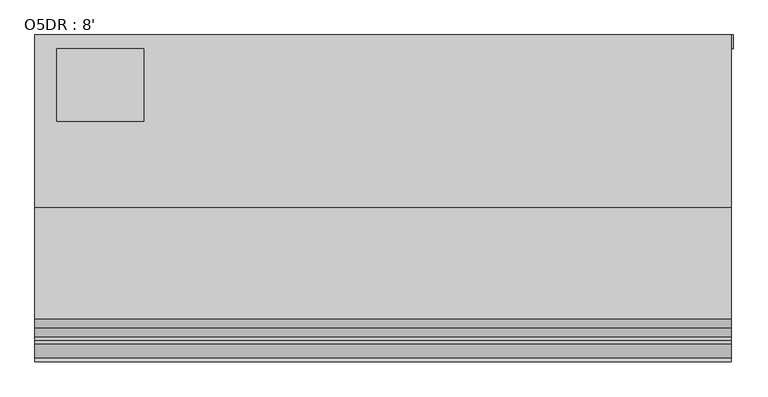
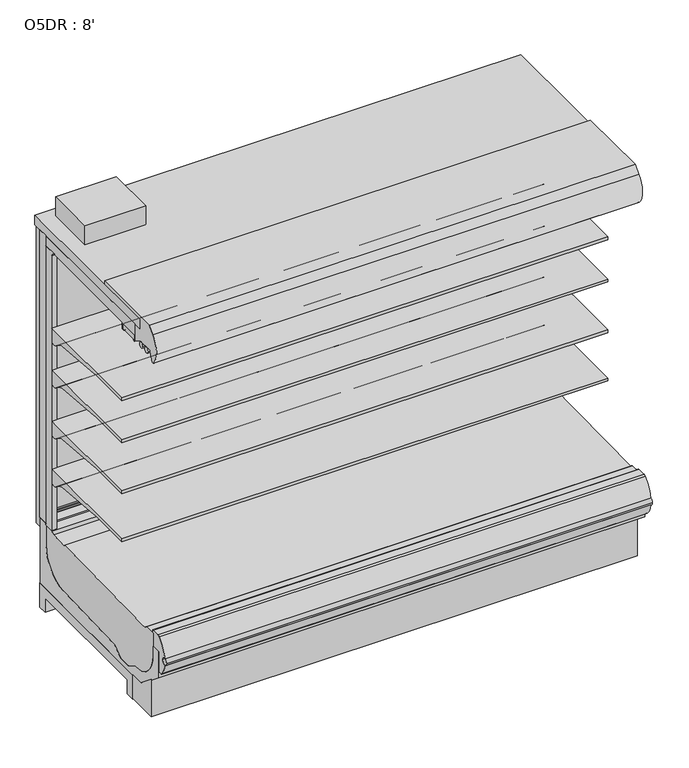
"""IFC4 building model written with IfcOpenShell, lengths in millimetres: proxy geometry, O5DR : 8'."""

from ifc_helpers import new_model, si_unit, point, frame, frame_2d, origin, place, context, project, spatial, polyline, circle_curve, trimmed, segment, composite_curve, outline, extrude, faceted_brep, source, transform, mapped, element, save
from ifc_brep_helpers import plane_surface, cylinder_surface, revolved_surface, advanced_brep


def o5dr_8_307e2ff7(model_context):
    return source(origin(), model_context, "Body", "SolidModel", [
        extrude(outline(polyline([(381.0, -406.3155239), (381.0, -660.3155239), (76.2, -660.3155239), (76.2, -406.3155239), (381.0, -406.3155239)])), frame((0.0, 0.0, 2052.9777313), z_axis=(0.0, 0.0, 1.0), x_axis=(1.0, 0.0, 0.0)), (0.0, 0.0, 1.0), 101.6),
        extrude(outline(polyline([(2438.4, -401.5089273), (2438.4, -451.7851762), (2413.0, -451.7851762), (2413.0, -401.5089273), (2438.4, -401.5089273)])), frame((0.0, 0.0, 478.049844), z_axis=(0.0, 0.0, 1.0), x_axis=(1.0, 0.0, 0.0)), (0.0, 0.0, 1.0), 1525.5410642),
        advanced_brep(
        [(2438.4, -451.7851762, 468.8781737), (2438.4, -451.7851762, 1949.6779319), (2438.4, -530.2144075, 1949.6779319), (2438.4, -504.9331995, 1926.7316344), (2438.4, -504.9331995, 468.8781737), (2413.0, -451.7851762, 468.8781737), (2413.0, -504.9331995, 468.8781737), (2413.0, -504.9331995, 1926.7316344), (2413.0, -530.2144075, 1949.6779595), (2413.0, -451.7851762, 1949.6779319)],
        [
            (0, 1),
            (1, 2),
            (2, 3, circle_curve(frame((2438.4, -530.2144075, 1924.2779595), z_axis=(-1.0, 0.0, 0.0), x_axis=(0.0, 1.0, 0.0)), 25.4)),
            (3, 4),
            (4, 0),
            (5, 6),
            (6, 7),
            (7, 8, circle_curve(frame((2413.0, -530.2144075, 1924.2779595), z_axis=(1.0, 0.0, 0.0), x_axis=(0.0, 1.0, 0.0)), 25.4)),
            (8, 9),
            (9, 5),
            (0, 5),
            (9, 1),
            (8, 2),
            (7, 3),
            (6, 4),
        ],
        [
            plane_surface(frame((2438.4, -451.7851762, 1697.7360001), z_axis=(1.0, 0.0, 0.0), x_axis=(0.0, 0.0, 1.0))),
            plane_surface(frame((2413.0, -451.7851762, 1697.7360001), z_axis=(-1.0, 0.0, 0.0), x_axis=(0.0, 0.0, -1.0))),
            plane_surface(frame((2438.4, -451.7851762, 468.8781737), z_axis=(0.0, 1.0, 0.0), x_axis=(-1.0, 0.0, 0.0))),
            plane_surface(frame((2438.4, -451.7851762, 1949.6779319), z_axis=(0.0, 0.0, 1.0), x_axis=(-1.0, 0.0, 0.0))),
            revolved_surface(polyline([(2413.0, -504.8144075, 1924.2779595), (2438.4, -504.8144075, 1924.2779595)]), (2413.0, -530.2144075, 1924.2779595), (-1.0, 0.0, 0.0)),
            plane_surface(frame((2438.4, -504.9331995, 1926.7316344), z_axis=(0.0, -1.0, 0.0), x_axis=(-1.0, 0.0, 0.0))),
            plane_surface(frame((2438.4, -504.9331995, 468.8781737), z_axis=(0.0, 0.0, -1.0), x_axis=(-1.0, 0.0, 0.0))),
        ],
        [
            (0, [[1, 2, 3, 4, 5]]),
            (1, [[6, 7, 8, 9, 10]]),
            (2, [[-1, 11, -10, 12]]),
            (3, [[-2, -12, -9, 13]]),
            (4, [[-3, -13, -8, 14]]),
            (5, [[-4, -14, -7, 15]]),
            (6, [[-5, -15, -6, -11]]),
        ],
    ),
        extrude(outline(polyline([(1244.6, -401.5089273), (1244.6, -451.7851762), (1219.2, -451.7851762), (1219.2, -401.5089273), (1244.6, -401.5089273)])), frame((0.0, 0.0, 478.049844), z_axis=(0.0, 0.0, 1.0), x_axis=(1.0, 0.0, 0.0)), (0.0, 0.0, 1.0), 1525.5410642),
        advanced_brep(
        [(1244.6, -451.7851762, 468.8781737), (1244.6, -451.7851762, 1949.6779319), (1244.6, -530.2144075, 1949.6779319), (1244.6, -504.9331995, 1926.7316344), (1244.6, -504.9331995, 468.8781737), (1219.2, -451.7851762, 468.8781737), (1219.2, -504.9331995, 468.8781737), (1219.2, -504.9331995, 1926.7316344), (1219.2, -530.2144075, 1949.6779595), (1219.2, -451.7851762, 1949.6779319)],
        [
            (0, 1),
            (1, 2),
            (2, 3, circle_curve(frame((1244.6, -530.2144075, 1924.2779595), z_axis=(-1.0, 0.0, 0.0), x_axis=(0.0, 1.0, 0.0)), 25.4)),
            (3, 4),
            (4, 0),
            (5, 6),
            (6, 7),
            (7, 8, circle_curve(frame((1219.2, -530.2144075, 1924.2779595), z_axis=(1.0, 0.0, 0.0), x_axis=(0.0, 1.0, 0.0)), 25.4)),
            (8, 9),
            (9, 5),
            (0, 5),
            (9, 1),
            (8, 2),
            (7, 3),
            (6, 4),
        ],
        [
            plane_surface(frame((1244.6, -451.7851762, 1697.7360001), z_axis=(1.0, 0.0, 0.0), x_axis=(0.0, 0.0, 1.0))),
            plane_surface(frame((1219.2, -451.7851762, 1697.7360001), z_axis=(-1.0, 0.0, 0.0), x_axis=(0.0, 0.0, -1.0))),
            plane_surface(frame((1244.6, -451.7851762, 468.8781737), z_axis=(0.0, 1.0, 0.0), x_axis=(-1.0, 0.0, 0.0))),
            plane_surface(frame((1244.6, -451.7851762, 1949.6779319), z_axis=(0.0, 0.0, 1.0), x_axis=(-1.0, 0.0, 0.0))),
            revolved_surface(polyline([(1219.2, -504.8144075, 1924.2779595), (1244.6, -504.8144075, 1924.2779595)]), (1219.2, -530.2144075, 1924.2779595), (-1.0, 0.0, 0.0)),
            plane_surface(frame((1244.6, -504.9331995, 1926.7316344), z_axis=(0.0, -1.0, 0.0), x_axis=(-1.0, 0.0, 0.0))),
            plane_surface(frame((1244.6, -504.9331995, 468.8781737), z_axis=(0.0, 0.0, -1.0), x_axis=(-1.0, 0.0, 0.0))),
        ],
        [
            (0, [[1, 2, 3, 4, 5]]),
            (1, [[6, 7, 8, 9, 10]]),
            (2, [[-1, 11, -10, 12]]),
            (3, [[-2, -12, -9, 13]]),
            (4, [[-3, -13, -8, 14]]),
            (5, [[-4, -14, -7, 15]]),
            (6, [[-5, -15, -6, -11]]),
        ],
    ),
        extrude(outline(polyline([(1219.2, -401.5089273), (1219.2, -451.7851762), (1193.8, -451.7851762), (1193.8, -401.5089273), (1219.2, -401.5089273)])), frame((0.0, 0.0, 478.049844), z_axis=(0.0, 0.0, 1.0), x_axis=(1.0, 0.0, 0.0)), (0.0, 0.0, 1.0), 1525.5410642),
        advanced_brep(
        [(1219.2, -451.7851762, 468.8781737), (1219.2, -451.7851762, 1949.6779319), (1219.2, -530.2144075, 1949.6779319), (1219.2, -504.9331995, 1926.7316344), (1219.2, -504.9331995, 468.8781737), (1193.8, -451.7851762, 468.8781737), (1193.8, -504.9331995, 468.8781737), (1193.8, -504.9331995, 1926.7316344), (1193.8, -530.2144075, 1949.6779595), (1193.8, -451.7851762, 1949.6779319)],
        [
            (0, 1),
            (1, 2),
            (2, 3, circle_curve(frame((1219.2, -530.2144075, 1924.2779595), z_axis=(-1.0, 0.0, 0.0), x_axis=(0.0, 1.0, 0.0)), 25.4)),
            (3, 4),
            (4, 0),
            (5, 6),
            (6, 7),
            (7, 8, circle_curve(frame((1193.8, -530.2144075, 1924.2779595), z_axis=(1.0, 0.0, 0.0), x_axis=(0.0, 1.0, 0.0)), 25.4)),
            (8, 9),
            (9, 5),
            (0, 5),
            (9, 1),
            (8, 2),
            (7, 3),
            (6, 4),
        ],
        [
            plane_surface(frame((1219.2, -451.7851762, 1697.7360001), z_axis=(1.0, 0.0, 0.0), x_axis=(0.0, 0.0, 1.0))),
            plane_surface(frame((1193.8, -451.7851762, 1697.7360001), z_axis=(-1.0, 0.0, 0.0), x_axis=(0.0, 0.0, -1.0))),
            plane_surface(frame((1219.2, -451.7851762, 468.8781737), z_axis=(0.0, 1.0, 0.0), x_axis=(-1.0, 0.0, 0.0))),
            plane_surface(frame((1219.2, -451.7851762, 1949.6779319), z_axis=(0.0, 0.0, 1.0), x_axis=(-1.0, 0.0, 0.0))),
            revolved_surface(polyline([(1193.8, -504.8144075, 1924.2779595), (1219.2, -504.8144075, 1924.2779595)]), (1193.8, -530.2144075, 1924.2779595), (-1.0, 0.0, 0.0)),
            plane_surface(frame((1219.2, -504.9331995, 1926.7316344), z_axis=(0.0, -1.0, 0.0), x_axis=(-1.0, 0.0, 0.0))),
            plane_surface(frame((1219.2, -504.9331995, 468.8781737), z_axis=(0.0, 0.0, -1.0), x_axis=(-1.0, 0.0, 0.0))),
        ],
        [
            (0, [[1, 2, 3, 4, 5]]),
            (1, [[6, 7, 8, 9, 10]]),
            (2, [[-1, 11, -10, 12]]),
            (3, [[-2, -12, -9, 13]]),
            (4, [[-3, -13, -8, 14]]),
            (5, [[-4, -14, -7, 15]]),
            (6, [[-5, -15, -6, -11]]),
        ],
    ),
        faceted_brep([(2383.6493285, -397.299623, 480.0108915), (2383.6493285, -406.3155239, 480.0108915), (2383.6493285, -406.3155239, 1941.0151593), (2383.6493285, -397.299623, 1941.0151593), (2392.93244, -389.8622988, 470.72778), (2392.93244, -397.299623, 470.72778), (2392.93244, -397.299623, 1950.2982708), (2392.93244, -389.8622988, 1950.2982708), (2383.6493285, -379.3369472, 480.0108915), (2383.6493285, -389.8622988, 480.0108915), (2383.6493285, -389.8622988, 1941.0151593), (2383.6493285, -379.3369472, 1941.0151593), (2392.93244, -371.899623, 470.72778), (2392.93244, -379.3369472, 470.72778), (2392.93244, -379.3369472, 1950.2982708), (2392.93244, -371.899623, 1950.2982708), (2383.6493285, -358.5508239, 480.0108915), (2383.6493285, -371.899623, 480.0108915), (2383.6493285, -371.899623, 1941.0151593), (2383.6493285, -358.5508239, 1941.0151593), (2445.4089133, -406.3155239, 418.2513067), (2445.4089133, -358.5508239, 418.2513067), (2445.4089133, -358.5508239, 2002.7747442), (2445.4089133, -406.3155239, 2002.7747442), (1287.9684982, -406.3155239, 1941.0151593), (1287.9684982, -397.299623, 1941.0151593), (1278.6853867, -397.299623, 1950.2982708), (1278.6853867, -389.8622988, 1950.2982708), (1287.9684982, -389.8622988, 1941.0151593), (1287.9684982, -379.3369472, 1941.0151593), (1278.6853867, -379.3369472, 1950.2982708), (1278.6853867, -371.899623, 1950.2982708), (1287.9684982, -371.899623, 1941.0151593), (1287.9684982, -358.5508239, 1941.0151593), (1226.2089133, -358.5508239, 2002.7747442), (1226.2089133, -406.3155239, 2002.7747442), (1287.9684982, -406.3155239, 480.0108915), (1287.9684982, -397.299623, 480.0108915), (1278.6853867, -397.299623, 470.72778), (1278.6853867, -389.8622988, 470.72778), (1287.9684982, -389.8622988, 480.0108915), (1287.9684982, -379.3369472, 480.0108915), (1278.6853867, -379.3369472, 470.72778), (1278.6853867, -371.899623, 470.72778), (1287.9684982, -371.899623, 480.0108915), (1287.9684982, -358.5508239, 480.0108915), (1226.2089133, -358.5508239, 418.2513067), (1226.2089133, -406.3155239, 418.2513067)], [[[0, 1, 2, 3]], [[4, 5, 6, 7]], [[8, 9, 10, 11]], [[12, 13, 14, 15]], [[16, 17, 18, 19]], [[20, 21, 22, 23]], [[3, 2, 24, 25]], [[7, 6, 26, 27]], [[11, 10, 28, 29]], [[15, 14, 30, 31]], [[19, 18, 32, 33]], [[23, 22, 34, 35]], [[25, 24, 36, 37]], [[27, 26, 38, 39]], [[29, 28, 40, 41]], [[31, 30, 42, 43]], [[33, 32, 44, 45]], [[35, 34, 46, 47]], [[23, 35, 47, 20], [1, 36, 24, 2]], [[37, 36, 1, 0]], [[5, 38, 26, 6], [3, 25, 37, 0]], [[39, 38, 5, 4]], [[7, 27, 39, 4], [9, 40, 28, 10]], [[41, 40, 9, 8]], [[13, 42, 30, 14], [11, 29, 41, 8]], [[43, 42, 13, 12]], [[15, 31, 43, 12], [17, 44, 32, 18]], [[45, 44, 17, 16]], [[21, 46, 34, 22], [19, 33, 45, 16]], [[47, 46, 21, 20]]]),
        extrude(outline(polyline([(2391.9898618, -389.8622988), (2391.9898618, -397.299623), (1832.6339133, -397.299623), (1832.6339133, -389.8622988), (2391.9898618, -389.8622988)])), frame((0.0, 0.0, 470.72778), z_axis=(0.0, 0.0, 1.0), x_axis=(1.0, 0.0, 0.0)), (0.0, 0.0, 1.0), 1479.5704908),
        extrude(outline(polyline([(1838.9839133, -371.899623), (1838.9839133, -379.3369472), (1279.6279648, -379.3369472), (1279.6279648, -371.899623), (1838.9839133, -371.899623)])), frame((0.0, 0.0, 470.72778), z_axis=(0.0, 0.0, 1.0), x_axis=(1.0, 0.0, 0.0)), (0.0, 0.0, 1.0), 1479.5704908),
        faceted_brep([(1164.4493285, -397.299623, 480.0108915), (1164.4493285, -406.3155239, 480.0108915), (1164.4493285, -406.3155239, 1941.0151593), (1164.4493285, -397.299623, 1941.0151593), (1173.73244, -389.8622988, 470.72778), (1173.73244, -397.299623, 470.72778), (1173.73244, -397.299623, 1950.2982708), (1173.73244, -389.8622988, 1950.2982708), (1164.4493285, -379.3369472, 480.0108915), (1164.4493285, -389.8622988, 480.0108915), (1164.4493285, -389.8622988, 1941.0151593), (1164.4493285, -379.3369472, 1941.0151593), (1173.73244, -371.899623, 470.72778), (1173.73244, -379.3369472, 470.72778), (1173.73244, -379.3369472, 1950.2982708), (1173.73244, -371.899623, 1950.2982708), (1164.4493285, -358.5508239, 480.0108915), (1164.4493285, -371.899623, 480.0108915), (1164.4493285, -371.899623, 1941.0151593), (1164.4493285, -358.5508239, 1941.0151593), (1226.2089133, -406.3155239, 418.2513067), (1226.2089133, -358.5508239, 418.2513067), (1226.2089133, -358.5508239, 2002.7747442), (1226.2089133, -406.3155239, 2002.7747442), (68.7684982, -406.3155239, 1941.0151593), (68.7684982, -397.299623, 1941.0151593), (59.4853867, -397.299623, 1950.2982708), (59.4853867, -389.8622988, 1950.2982708), (68.7684982, -389.8622988, 1941.0151593), (68.7684982, -379.3369472, 1941.0151593), (59.4853867, -379.3369472, 1950.2982708), (59.4853867, -371.899623, 1950.2982708), (68.7684982, -371.899623, 1941.0151593), (68.7684982, -358.5508239, 1941.0151593), (7.0089133, -358.5508239, 2002.7747442), (7.0089133, -406.3155239, 2002.7747442), (68.7684982, -406.3155239, 480.0108915), (68.7684982, -397.299623, 480.0108915), (59.4853867, -397.299623, 470.72778), (59.4853867, -389.8622988, 470.72778), (68.7684982, -389.8622988, 480.0108915), (68.7684982, -379.3369472, 480.0108915), (59.4853867, -379.3369472, 470.72778), (59.4853867, -371.899623, 470.72778), (68.7684982, -371.899623, 480.0108915), (68.7684982, -358.5508239, 480.0108915), (7.0089133, -358.5508239, 418.2513067), (7.0089133, -406.3155239, 418.2513067)], [[[0, 1, 2, 3]], [[4, 5, 6, 7]], [[8, 9, 10, 11]], [[12, 13, 14, 15]], [[16, 17, 18, 19]], [[20, 21, 22, 23]], [[3, 2, 24, 25]], [[7, 6, 26, 27]], [[11, 10, 28, 29]], [[15, 14, 30, 31]], [[19, 18, 32, 33]], [[23, 22, 34, 35]], [[25, 24, 36, 37]], [[27, 26, 38, 39]], [[29, 28, 40, 41]], [[31, 30, 42, 43]], [[33, 32, 44, 45]], [[35, 34, 46, 47]], [[23, 35, 47, 20], [1, 36, 24, 2]], [[37, 36, 1, 0]], [[5, 38, 26, 6], [3, 25, 37, 0]], [[39, 38, 5, 4]], [[7, 27, 39, 4], [9, 40, 28, 10]], [[41, 40, 9, 8]], [[13, 42, 30, 14], [11, 29, 41, 8]], [[43, 42, 13, 12]], [[15, 31, 43, 12], [17, 44, 32, 18]], [[45, 44, 17, 16]], [[21, 46, 34, 22], [19, 33, 45, 16]], [[47, 46, 21, 20]]]),
        extrude(outline(polyline([(1172.7898618, -389.8622988), (1172.7898618, -397.299623), (613.4339133, -397.299623), (613.4339133, -389.8622988), (1172.7898618, -389.8622988)])), frame((0.0, 0.0, 470.72778), z_axis=(0.0, 0.0, 1.0), x_axis=(1.0, 0.0, 0.0)), (0.0, 0.0, 1.0), 1479.5704908),
        extrude(outline(polyline([(619.7839133, -371.899623), (619.7839133, -379.3369472), (60.4279648, -379.3369472), (60.4279648, -371.899623), (619.7839133, -371.899623)])), frame((0.0, 0.0, 470.72778), z_axis=(0.0, 0.0, 1.0), x_axis=(1.0, 0.0, 0.0)), (0.0, 0.0, 1.0), 1479.5704908),
        extrude(outline(polyline([(25.4, -401.5089273), (25.4, -451.7851762), (0.0, -451.7851762), (0.0, -401.5089273), (25.4, -401.5089273)])), frame((0.0, 0.0, 478.049844), z_axis=(0.0, 0.0, 1.0), x_axis=(1.0, 0.0, 0.0)), (0.0, 0.0, 1.0), 1525.5410642),
        advanced_brep(
        [(25.4, -451.7851762, 468.8781737), (25.4, -451.7851762, 1949.6779319), (25.4, -530.2144075, 1949.6779319), (25.4, -504.9331995, 1926.7316344), (25.4, -504.9331995, 468.8781737), (0.0, -451.7851762, 468.8781737), (0.0, -504.9331995, 468.8781737), (0.0, -504.9331995, 1926.7316344), (0.0, -530.2144075, 1949.6779595), (0.0, -451.7851762, 1949.6779319)],
        [
            (0, 1),
            (1, 2),
            (2, 3, circle_curve(frame((25.4, -530.2144075, 1924.2779595), z_axis=(-1.0, 0.0, 0.0), x_axis=(0.0, 1.0, 0.0)), 25.4)),
            (3, 4),
            (4, 0),
            (5, 6),
            (6, 7),
            (7, 8, circle_curve(frame((0.0, -530.2144075, 1924.2779595), z_axis=(1.0, 0.0, 0.0), x_axis=(0.0, 1.0, 0.0)), 25.4)),
            (8, 9),
            (9, 5),
            (0, 5),
            (9, 1),
            (8, 2),
            (7, 3),
            (6, 4),
        ],
        [
            plane_surface(frame((25.4, -451.7851762, 1697.7360001), z_axis=(1.0, 0.0, 0.0), x_axis=(0.0, 0.0, 1.0))),
            plane_surface(frame((0.0, -451.7851762, 1697.7360001), z_axis=(-1.0, 0.0, 0.0), x_axis=(0.0, 0.0, -1.0))),
            plane_surface(frame((25.4, -451.7851762, 468.8781737), z_axis=(0.0, 1.0, 0.0), x_axis=(-1.0, 0.0, 0.0))),
            plane_surface(frame((25.4, -451.7851762, 1949.6779319), z_axis=(0.0, 0.0, 1.0), x_axis=(-1.0, 0.0, 0.0))),
            revolved_surface(polyline([(0.0, -504.8144075, 1924.2779595), (25.4, -504.8144075, 1924.2779595)]), (0.0, -530.2144075, 1924.2779595), (-1.0, 0.0, 0.0)),
            plane_surface(frame((25.4, -504.9331995, 1926.7316344), z_axis=(0.0, -1.0, 0.0), x_axis=(-1.0, 0.0, 0.0))),
            plane_surface(frame((25.4, -504.9331995, 468.8781737), z_axis=(0.0, 0.0, -1.0), x_axis=(-1.0, 0.0, 0.0))),
        ],
        [
            (0, [[1, 2, 3, 4, 5]]),
            (1, [[6, 7, 8, 9, 10]]),
            (2, [[-1, 11, -10, 12]]),
            (3, [[-2, -12, -9, 13]]),
            (4, [[-3, -13, -8, 14]]),
            (5, [[-4, -14, -7, 15]]),
            (6, [[-5, -15, -6, -11]]),
        ],
    ),
        extrude(outline(composite_curve([segment(polyline([(-504.9331995, 794.189381), (-504.9331995, 719.0883547), (-528.313746, 719.0883547)]), True, "CONTINUOUS"), segment(trimmed(circle_curve(frame_2d((-528.7455821, 744.4846835)), 25.4), [point((-528.313746, 719.0883547))], [point((-544.7229383, 724.7392008))], False, "CARTESIAN"), True, "CONTINUOUS"), segment(polyline([(-544.7229383, 724.7392008), (-562.5749995, 739.1844663)]), True, "CONTINUOUS"), segment(trimmed(circle_curve(frame_2d((-602.5183901, 689.8207596)), 63.5), [point((-562.5749995, 739.1844663))], [point((-594.6205089, 752.8276915))], True, "CARTESIAN"), True, "CONTINUOUS"), segment(polyline([(-594.6205089, 752.8276915), (-872.3592482, 776.5248289), (-873.8480247, 779.965381), (-1114.5331995, 779.965381), (-1114.5331995, 794.189381), (-504.9331995, 794.189381)]), True, "CONTINUOUS")], self_intersect=False)), frame((0.0, 0.0, 0.0), z_axis=(1.0, 0.0, 0.0), x_axis=(0.0, 1.0, 0.0)), (0.0, 0.0, 1.0), 2438.4),
        extrude(outline(composite_curve([segment(polyline([(-504.9331995, 1049.544493), (-504.9331995, 974.4434667), (-528.313746, 974.4434667)]), True, "CONTINUOUS"), segment(trimmed(circle_curve(frame_2d((-528.7455821, 999.8397955)), 25.4), [point((-528.313746, 974.4434667))], [point((-544.7229383, 980.0943128))], False, "CARTESIAN"), True, "CONTINUOUS"), segment(polyline([(-544.7229383, 980.0943128), (-562.5749995, 994.5395783)]), True, "CONTINUOUS"), segment(trimmed(circle_curve(frame_2d((-602.5183901, 945.1758716)), 63.5), [point((-562.5749995, 994.5395783))], [point((-594.6205089, 1008.1828035))], True, "CARTESIAN"), True, "CONTINUOUS"), segment(polyline([(-594.6205089, 1008.1828035), (-872.3592482, 1031.8799409), (-873.8480247, 1035.320493), (-1114.5331995, 1035.320493), (-1114.5331995, 1049.544493), (-504.9331995, 1049.544493)]), True, "CONTINUOUS")], self_intersect=False)), frame((0.0, 0.0, 0.0), z_axis=(1.0, 0.0, 0.0), x_axis=(0.0, 1.0, 0.0)), (0.0, 0.0, 1.0), 2438.4),
        extrude(outline(composite_curve([segment(polyline([(-504.9331995, 1319.5585779), (-504.9331995, 1244.4575515), (-528.313746, 1244.4575515)]), True, "CONTINUOUS"), segment(trimmed(circle_curve(frame_2d((-528.7455821, 1269.8538803)), 25.4), [point((-528.313746, 1244.4575515))], [point((-544.7229383, 1250.1083976))], False, "CARTESIAN"), True, "CONTINUOUS"), segment(polyline([(-544.7229383, 1250.1083976), (-562.5749995, 1264.5536632)]), True, "CONTINUOUS"), segment(trimmed(circle_curve(frame_2d((-602.5183901, 1215.1899564)), 63.5), [point((-562.5749995, 1264.5536632))], [point((-594.6205089, 1278.1968884))], True, "CARTESIAN"), True, "CONTINUOUS"), segment(polyline([(-594.6205089, 1278.1968884), (-872.3592482, 1301.8940258), (-873.8480247, 1305.3345779), (-1114.5331995, 1305.3345779), (-1114.5331995, 1319.5585779), (-504.9331995, 1319.5585779)]), True, "CONTINUOUS")], self_intersect=False)), frame((0.0, 0.0, 0.0), z_axis=(1.0, 0.0, 0.0), x_axis=(0.0, 1.0, 0.0)), (0.0, 0.0, 1.0), 2438.4),
        extrude(outline(composite_curve([segment(trimmed(circle_curve(frame_2d((2236.1657013, -973.0089273)), 12.7), [point((2223.4657013, -973.0089273))], [point((2248.8657013, -973.0089273))], False, "CARTESIAN"), True, "CONTINUOUS"), segment(trimmed(circle_curve(frame_2d((2236.1657013, -973.0089273)), 12.7), [point((2248.8657013, -973.0089273))], [point((2223.4657013, -973.0089273))], False, "CARTESIAN"), True, "CONTINUOUS")], self_intersect=False)), frame((0.0, 0.0, 66.7090149), z_axis=(0.0, 0.0, 1.0), x_axis=(1.0, 0.0, 0.0)), (0.0, 0.0, 1.0), 63.4659851),
        extrude(outline(composite_curve([segment(trimmed(circle_curve(frame_2d((2190.3167543, -973.0089273)), 9.525), [point((2180.7917543, -973.0089273))], [point((2199.8417543, -973.0089273))], False, "CARTESIAN"), True, "CONTINUOUS"), segment(trimmed(circle_curve(frame_2d((2190.3167543, -973.0089273)), 9.525), [point((2199.8417543, -973.0089273))], [point((2180.7917543, -973.0089273))], False, "CARTESIAN"), True, "CONTINUOUS")], self_intersect=False)), frame((0.0, 0.0, 66.7090149), z_axis=(0.0, 0.0, 1.0), x_axis=(1.0, 0.0, 0.0)), (0.0, 0.0, 1.0), 63.4659851),
        extrude(outline(polyline([(711.2, -1351.5977782), (403.225, -1351.5977782), (403.225, -1254.3931624), (711.2, -1254.3931624), (711.2, -1351.5977782)])), frame((0.0, 0.0, 53.2186364), z_axis=(0.0, 0.0, 1.0), x_axis=(1.0, 0.0, 0.0)), (0.0, 0.0, 1.0), 9.8914),
        faceted_brep([(2438.4, -1207.9589273, 130.175), (2438.4, -1278.2580824, 130.175), (2438.4, -1369.8839273, 204.1509267), (2438.4, -1369.8839273, 5.6773468), (2438.4, -1207.9589273, 5.6773468), (0.0, -1207.9589273, 130.175), (0.0, -1207.9589273, 5.6773468), (0.0, -1369.8839273, 5.6773468), (0.0, -1369.8839273, 204.1509267), (0.0, -1278.2580824, 130.175), (711.2, -1351.5977782, 5.6773468), (711.2, -1254.3931624, 5.6773468), (403.225, -1254.3931624, 5.6773468), (403.225, -1351.5977782, 5.6773468), (711.2, -1351.5977782, 63.1100364), (403.225, -1351.5977782, 63.1100364), (403.225, -1254.3931624, 63.1100364), (711.2, -1254.3931624, 63.1100364)], [[[0, 1, 2, 3, 4]], [[5, 6, 7, 8, 9]], [[1, 0, 5, 9]], [[2, 1, 9, 8]], [[3, 2, 8, 7]], [[4, 3, 7, 6], [10, 11, 12, 13]], [[0, 4, 6, 5]], [[14, 15, 16, 17]], [[14, 17, 11, 10]], [[17, 16, 12, 11]], [[16, 15, 13, 12]], [[15, 14, 10, 13]]]),
        extrude(outline(composite_curve([segment(trimmed(circle_curve(frame_2d((339.6243296, 2358.8090336)), 12.7), [point((339.6243296, 2371.5090336))], [point((339.6243296, 2346.1090336))], False, "CARTESIAN"), True, "CONTINUOUS"), segment(trimmed(circle_curve(frame_2d((339.6243296, 2358.8090336)), 12.7), [point((339.6243296, 2346.1090336))], [point((339.6243296, 2371.5090336))], False, "CARTESIAN"), True, "CONTINUOUS")], self_intersect=False)), frame((0.0, -447.5561252, 0.0), z_axis=(0.0, 1.0, 0.0), x_axis=(0.0, 0.0, 1.0)), (0.0, 0.0, 1.0), 52.3971979),
        extrude(outline(composite_curve([segment(trimmed(circle_curve(frame_2d((339.6243296, 2320.3972115)), 9.525), [point((339.6243296, 2329.9222115))], [point((339.6243296, 2310.8722115))], False, "CARTESIAN"), True, "CONTINUOUS"), segment(trimmed(circle_curve(frame_2d((339.6243296, 2320.3972115)), 9.525), [point((339.6243296, 2310.8722115))], [point((339.6243296, 2329.9222115))], False, "CARTESIAN"), True, "CONTINUOUS")], self_intersect=False)), frame((0.0, -447.5561252, 0.0), z_axis=(0.0, 1.0, 0.0), x_axis=(0.0, 0.0, 1.0)), (0.0, 0.0, 1.0), 52.3971979),
        extrude(outline(composite_curve([segment(polyline([(-456.5917727, 2002.7747442), (-456.5917727, 1948.8292386), (-1119.7811387, 1948.8292386), (-1119.7811387, 1913.3731358)]), True, "CONTINUOUS"), segment(trimmed(circle_curve(frame_2d((-1122.0034296, 1913.3731358)), 2.2222909), [point((-1119.7811387, 1913.3731358))], [point((-1122.0034296, 1911.1508449))], False, "CARTESIAN"), True, "CONTINUOUS"), segment(polyline([(-1122.0034296, 1911.1508449), (-1131.4677609, 1911.1508449)]), True, "CONTINUOUS"), segment(trimmed(circle_curve(frame_2d((-1131.4677609, 1911.4683449)), 0.3175), [point((-1131.4677609, 1911.1508449))], [point((-1131.4677609, 1911.7858449))], False, "CARTESIAN"), True, "CONTINUOUS"), segment(polyline([(-1131.4677609, 1911.7858449), (-1122.0036387, 1911.7858449)]), True, "CONTINUOUS"), segment(trimmed(circle_curve(frame_2d((-1122.0036387, 1913.3733449)), 1.5875), [point((-1122.0036387, 1911.7858449))], [point((-1120.4161387, 1913.3733449))], True, "CARTESIAN"), True, "CONTINUOUS"), segment(polyline([(-1120.4161387, 1913.3733449), (-1120.4161387, 1941.6000912), (-1225.0064121, 1941.6000912), (-1225.0064121, 1913.3733449)]), True, "CONTINUOUS"), segment(trimmed(circle_curve(frame_2d((-1223.4189121, 1913.3733449)), 1.5875), [point((-1225.0064121, 1913.3733449))], [point((-1223.4189121, 1911.7858449))], True, "CARTESIAN"), True, "CONTINUOUS"), segment(polyline([(-1223.4189121, 1911.7858449), (-1214.8025064, 1911.7858449)]), True, "CONTINUOUS"), segment(trimmed(circle_curve(frame_2d((-1214.8025064, 1911.4683449)), 0.3175), [point((-1214.8025064, 1911.7858449))], [point((-1214.8025064, 1911.1508449))], False, "CARTESIAN"), True, "CONTINUOUS"), segment(polyline([(-1214.8025064, 1911.1508449), (-1223.4191212, 1911.1508449)]), True, "CONTINUOUS"), segment(trimmed(circle_curve(frame_2d((-1223.4191212, 1913.3731358)), 2.2222909), [point((-1223.4191212, 1911.1508449))], [point((-1225.6330033, 1913.5662752))], False, "CARTESIAN"), True, "CONTINUOUS"), segment(polyline([(-1225.6330033, 1913.5662752), (-1225.6330033, 2002.7747442), (-456.5917727, 2002.7747442)]), True, "CONTINUOUS")], self_intersect=False)), frame((0.0, 0.0, 0.0), z_axis=(1.0, 0.0, 0.0), x_axis=(0.0, 1.0, 0.0)), (0.0, 0.0, 1.0), 2438.4),
        advanced_brep(
        [(2438.4, -406.3155239, 129.3263067), (2438.4, -406.3155239, 477.2011507), (2438.4, -456.5917727, 477.2011507), (2438.4, -456.5917727, 363.1208317), (2438.4, -604.3080894, 210.8136697), (2438.4, -1051.574717, 194.8292279), (2438.4, -1104.6866203, 156.2471907), (2438.4, -1171.5026272, 156.2471907), (2438.4, -1229.5472134, 188.423363), (2438.4, -1387.2659837, 340.730522), (2438.4, -1387.2659837, 390.3938567), (2438.4, -1436.7705839, 390.3938567), (2438.4, -1436.7705839, 253.42379), (2438.4, -1283.0646789, 129.3263067), (0.0, -406.3155239, 129.3263067), (0.0, -1283.0646789, 129.3263067), (0.0, -1436.7705839, 253.42379), (0.0, -1436.7705839, 390.3938567), (0.0, -1387.2659837, 390.3938567), (0.0, -1387.2659837, 340.730522), (0.0, -1229.5472134, 188.423363), (0.0, -1171.5026272, 156.2471907), (0.0, -1104.6866203, 156.2471907), (0.0, -1051.574717, 194.8292279), (0.0, -604.3080894, 210.8136697), (0.0, -456.5917727, 363.1208317), (0.0, -456.5917727, 477.2011507), (0.0, -406.3155239, 477.2011507), (2336.8, -406.3155239, 286.4888067), (2336.8, -406.3155239, 388.0888067), (2336.8, -452.3627217, 286.4888067), (2336.8, -452.3627217, 388.0888067)],
        [
            (0, 1),
            (1, 2),
            (2, 3),
            (3, 4, circle_curve(frame((2438.4, -609.8198241, 363.944775), z_axis=(-1.0, 0.0, 0.0), x_axis=(0.0, 1.0, 0.0)), 153.2302667)),
            (4, 5),
            (5, 6),
            (6, 7),
            (7, 8),
            (8, 9, circle_curve(frame((2438.4, -1234.8659837, 340.730522), z_axis=(-1.0, 0.0, 0.0), x_axis=(0.0, 1.0, 0.0)), 152.4)),
            (9, 10),
            (10, 11),
            (11, 12),
            (12, 13),
            (13, 0),
            (14, 15),
            (15, 16),
            (16, 17),
            (17, 18),
            (18, 19),
            (19, 20, circle_curve(frame((0.0, -1234.8659837, 340.730522), z_axis=(1.0, 0.0, 0.0), x_axis=(0.0, 1.0, 0.0)), 152.4)),
            (20, 21),
            (21, 22),
            (22, 23),
            (23, 24),
            (24, 25, circle_curve(frame((0.0, -609.8198241, 363.944775), z_axis=(1.0, 0.0, 0.0), x_axis=(0.0, 1.0, 0.0)), 153.2302667)),
            (25, 26),
            (26, 27),
            (27, 14),
            (0, 14),
            (27, 1),
            (28, 29, circle_curve(frame((2336.8, -406.3155239, 337.2888067), z_axis=(0.0, -1.0, 0.0), x_axis=(0.0, 0.0, 1.0)), 50.8)),
            (29, 28, circle_curve(frame((2336.8, -406.3155239, 337.2888067), z_axis=(0.0, -1.0, 0.0), x_axis=(0.0, 0.0, 1.0)), 50.8)),
            (2, 26),
            (25, 3),
            (30, 31, circle_curve(frame((2336.8, -452.3627217, 337.2888067), z_axis=(0.0, 1.0, 0.0), x_axis=(0.0, 0.0, 1.0)), 50.8)),
            (31, 30, circle_curve(frame((2336.8, -452.3627217, 337.2888067), z_axis=(0.0, 1.0, 0.0), x_axis=(0.0, 0.0, 1.0)), 50.8)),
            (31, 29),
            (28, 30),
            (24, 4),
            (23, 5),
            (22, 6),
            (21, 7),
            (20, 8),
            (19, 9),
            (18, 10),
            (17, 11),
            (16, 12),
            (15, 13),
        ],
        [
            plane_surface(frame((2438.4, -406.3155239, 1892.7228651), z_axis=(1.0, 0.0, 0.0), x_axis=(0.0, 0.0, 1.0))),
            plane_surface(frame((0.0, -406.3155239, 1892.7228651), z_axis=(-1.0, 0.0, 0.0), x_axis=(0.0, 0.0, -1.0))),
            plane_surface(frame((2438.4, -406.3155239, 129.3263067), z_axis=(0.0, 1.0, 0.0), x_axis=(-1.0, 0.0, 0.0))),
            plane_surface(frame((2438.4, -456.5917727, 477.2011507), z_axis=(0.0, -1.0, 0.0), x_axis=(-1.0, 0.0, 0.0))),
            plane_surface(frame((2336.8, -452.3627217, 388.0888067), z_axis=(0.0, 1.0, 0.0), x_axis=(-1.0, 0.0, 0.0))),
            revolved_surface(polyline([(2336.8, -452.3627217, 388.0888067), (2336.8, -406.3155239, 388.0888067)]), (2336.8, -406.3155239, 337.2888067), (0.0, -1.0, 0.0)),
            plane_surface(frame((2438.4, -406.3155239, 477.2011507), z_axis=(0.0, 0.0, 1.0), x_axis=(-1.0, 0.0, 0.0))),
            revolved_surface(polyline([(0.0, -456.5895574, 363.944775), (2438.4, -456.5895574, 363.944775)]), (0.0, -609.8198241, 363.944775), (-1.0, 0.0, 0.0)),
            plane_surface(frame((2438.4, -604.3080894, 210.8136697), z_axis=(0.0, -0.03571525977164973, 0.9993620065919274), x_axis=(-1.0, 0.0, 0.0))),
            plane_surface(frame((2438.4, -1051.574717, 194.8292279), z_axis=(0.0, -0.5877252382160973, 0.8090605937529227), x_axis=(-1.0, 0.0, 0.0))),
            plane_surface(frame((2438.4, -1104.6866203, 156.2471907), z_axis=(0.0, 0.0, 1.0), x_axis=(-1.0, 0.0, 0.0))),
            plane_surface(frame((2438.4, -1171.5026272, 156.2471907), z_axis=(0.0, 0.4848272875912661, 0.8746099137369162), x_axis=(-1.0, 0.0, 0.0))),
            revolved_surface(polyline([(0.0, -1082.4659837, 340.730522), (2438.4, -1082.4659837, 340.730522)]), (0.0, -1234.8659837, 340.730522), (-1.0, 0.0, 0.0)),
            plane_surface(frame((2438.4, -1387.2659837, 340.730522), z_axis=(0.0, 1.0, 0.0), x_axis=(-1.0, 0.0, 0.0))),
            plane_surface(frame((2438.4, -1387.2659837, 390.3938567), z_axis=(0.0, 0.0, 1.0), x_axis=(-1.0, 0.0, 0.0))),
            plane_surface(frame((2438.4, -1436.7705839, 390.3938567), z_axis=(0.0, -1.0, 0.0), x_axis=(-1.0, 0.0, 0.0))),
            plane_surface(frame((2438.4, -1436.7705839, 253.42379), z_axis=(0.0, -0.6281851642637526, -0.7780638787393502), x_axis=(-1.0, 0.0, 0.0))),
            plane_surface(frame((2438.4, -1283.0646789, 129.3263067), z_axis=(0.0, 0.0, -1.0), x_axis=(-1.0, 0.0, 0.0))),
        ],
        [
            (0, [[1, 2, 3, 4, 5, 6, 7, 8, 9, 10, 11, 12, 13, 14]]),
            (1, [[15, 16, 17, 18, 19, 20, 21, 22, 23, 24, 25, 26, 27, 28]]),
            (2, [[-1, 29, -28, 30], [31, 32]]),
            (3, [[-3, 33, -26, 34]]),
            (4, [[35, 36]]),
            (5, [[-36, 37, -31, 38]]),
            (5, [[-35, -38, -32, -37]]),
            (6, [[-2, -30, -27, -33]]),
            (7, [[-4, -34, -25, 39]]),
            (8, [[-5, -39, -24, 40]]),
            (9, [[-6, -40, -23, 41]]),
            (10, [[-7, -41, -22, 42]]),
            (11, [[-8, -42, -21, 43]]),
            (12, [[-9, -43, -20, 44]]),
            (13, [[-10, -44, -19, 45]]),
            (14, [[-11, -45, -18, 46]]),
            (15, [[-12, -46, -17, 47]]),
            (16, [[-13, -47, -16, 48]]),
            (17, [[-14, -48, -15, -29]]),
        ],
    ),
        faceted_brep([(2438.4, -358.5508239, 2052.9777313), (2438.4, -1268.1354389, 2052.9777313), (2438.4, -1268.1354389, 2002.7747442), (2438.4, -358.5508239, 2002.7747442), (0.0, -358.5508239, 2052.9777313), (0.0, -358.5508239, 2002.7747442), (0.0, -1268.1354389, 2002.7747442), (0.0, -1268.1354389, 2052.9777313)], [[[0, 1, 2, 3]], [[4, 5, 6, 7]], [[1, 0, 4, 7]], [[2, 1, 7, 6]], [[0, 3, 5, 4]], [[3, 2, 6, 5]]]),
        advanced_brep(
        [(2438.4, -1229.5472134, 188.423363), (2438.4, -1171.5026272, 156.2471907), (2438.4, -1104.6866203, 156.2471907), (2438.4, -1051.574717, 194.8292279), (2438.4, -604.3080894, 210.8136697), (2438.4, -456.5917727, 363.1208317), (2438.4, -456.5917727, 468.0294803), (2438.4, -509.760993, 468.0294803), (2438.4, -521.4464024, 457.1028877), (2438.4, -616.3892312, 450.4506329), (2438.4, -616.3892312, 458.7061734), (2438.4, -1322.5397961, 446.4354505), (2438.4, -1322.5397961, 451.0210212), (2438.4, -1329.2541027, 458.8528257), (2438.4, -1387.2659837, 458.8528257), (2438.4, -1387.2659837, 340.730522), (0.0, -1229.5472134, 188.423363), (0.0, -1387.2659837, 340.730522), (0.0, -1387.2659837, 458.8528257), (0.0, -1329.2541027, 458.8528257), (0.0, -1322.5397961, 451.0210212), (0.0, -1322.5397961, 446.4354505), (0.0, -616.3892312, 458.7061734), (0.0, -616.3892312, 450.4506329), (0.0, -521.4350969, 457.0904728), (0.0, -509.760993, 468.0294803), (0.0, -456.5917727, 468.0294803), (0.0, -456.5917727, 363.1208317), (0.0, -604.3080894, 210.8136697), (0.0, -1051.574717, 194.8292279), (0.0, -1104.6866203, 156.2471907), (0.0, -1171.5026272, 156.2471907)],
        [
            (0, 1),
            (1, 2),
            (2, 3),
            (3, 4),
            (4, 5, circle_curve(frame((2438.4, -609.8198241, 363.944775), z_axis=(1.0, 0.0, 0.0), x_axis=(0.0, 1.0, 0.0)), 153.2302667)),
            (5, 6),
            (6, 7),
            (7, 8, circle_curve(frame((2438.4, -522.3315632, 469.7612781), z_axis=(-1.0, 0.0, 0.0), x_axis=(0.0, 1.0, 0.0)), 12.689301)),
            (8, 9),
            (9, 10),
            (10, 11),
            (11, 12),
            (12, 13, circle_curve(frame((2438.4, -1330.4645961, 451.0210212), z_axis=(1.0, 0.0, 0.0), x_axis=(0.0, 1.0, 0.0)), 7.9248)),
            (13, 14),
            (14, 15),
            (15, 0, circle_curve(frame((2438.4, -1234.8659837, 340.730522), z_axis=(1.0, 0.0, 0.0), x_axis=(0.0, 1.0, 0.0)), 152.4)),
            (16, 17, circle_curve(frame((0.0, -1234.8659837, 340.730522), z_axis=(-1.0, 0.0, 0.0), x_axis=(0.0, 1.0, 0.0)), 152.4)),
            (17, 18),
            (18, 19),
            (19, 20, circle_curve(frame((0.0, -1330.4645961, 451.0210212), z_axis=(-1.0, 0.0, 0.0), x_axis=(0.0, 1.0, 0.0)), 7.9248)),
            (20, 21),
            (21, 22),
            (22, 23),
            (23, 24),
            (24, 25, circle_curve(frame((0.0, -522.3315632, 469.7612781), z_axis=(1.0, 0.0, 0.0), x_axis=(0.0, 1.0, 0.0)), 12.689301)),
            (25, 26),
            (26, 27),
            (27, 28, circle_curve(frame((0.0, -609.8198241, 363.944775), z_axis=(-1.0, 0.0, 0.0), x_axis=(0.0, 1.0, 0.0)), 153.2302667)),
            (28, 29),
            (29, 30),
            (30, 31),
            (31, 16),
            (14, 18),
            (17, 15),
            (16, 0),
            (31, 1),
            (30, 2),
            (29, 3),
            (28, 4),
            (27, 5),
            (26, 6),
            (7, 25),
            (24, 8),
            (23, 9),
            (22, 10),
            (21, 11),
            (13, 19),
            (20, 12),
        ],
        [
            plane_surface(frame((2438.4, -1229.5472134, 188.423363), z_axis=(1.0, 0.0, 0.0), x_axis=(0.0, 0.874609913736888, -0.48482728759131677))),
            plane_surface(frame((0.0, -1229.5472134, 188.423363), z_axis=(-1.0, 0.0, 0.0), x_axis=(0.0, -0.874609913736888, 0.48482728759131677))),
            plane_surface(frame((2438.4, -1387.2659837, 458.8528257), z_axis=(0.0, -1.0, 0.0), x_axis=(-1.0, 0.0, 0.0))),
            cylinder_surface(frame((0.0, -1234.8659837, 340.730522), z_axis=(1.0, 0.0, 0.0), x_axis=(0.0, 1.0, 0.0)), 152.4),
            plane_surface(frame((2438.4, -1229.5472134, 188.423363), z_axis=(0.0, -0.48482728759131677, -0.874609913736888), x_axis=(-1.0, 0.0, 0.0))),
            plane_surface(frame((2438.4, -1171.5026272, 156.2471907), z_axis=(0.0, 0.0, -1.0), x_axis=(-1.0, 0.0, 0.0))),
            plane_surface(frame((2438.4, -1104.6866203, 156.2471907), z_axis=(0.0, 0.5877252382160976, -0.8090605937529224), x_axis=(-1.0, 0.0, 0.0))),
            plane_surface(frame((2438.4, -1051.574717, 194.8292279), z_axis=(0.0, 0.035715259771649646, -0.9993620065919274), x_axis=(-1.0, 0.0, 0.0))),
            cylinder_surface(frame((0.0, -609.8198241, 363.944775), z_axis=(1.0, 0.0, 0.0), x_axis=(0.0, 1.0, 0.0)), 153.2302667),
            plane_surface(frame((2438.4, -456.5917727, 363.1208317), z_axis=(0.0, 1.0, 0.0), x_axis=(-1.0, 0.0, 0.0))),
            revolved_surface(polyline([(0.0, -509.6422622, 469.7612781), (2438.4, -509.6422622, 469.7612781)]), (0.0, -522.3315632, 469.7612781), (-1.0, 0.0, 0.0)),
            plane_surface(frame((2438.4, -521.4350969, 457.0904728), z_axis=(0.0, -0.06975647369769093, 0.9975640502630714), x_axis=(-1.0, 0.0, 0.0))),
            plane_surface(frame((2438.4, -616.3892312, 450.4506329), z_axis=(0.0, 1.0, 0.0), x_axis=(-1.0, 0.0, 0.0))),
            plane_surface(frame((2438.4, -616.3892312, 458.7061734), z_axis=(0.0, -0.01737429857349819, 0.9998490554824158), x_axis=(-1.0, 0.0, 0.0))),
            plane_surface(frame((2438.4, -1329.2541027, 458.8528257), z_axis=(0.0, 0.0, 1.0), x_axis=(-1.0, 0.0, 0.0))),
            plane_surface(frame((2438.4, -1322.5397961, 446.4354505), z_axis=(0.0, 1.0, 0.0), x_axis=(-1.0, 0.0, 0.0))),
            cylinder_surface(frame((0.0, -1330.4645961, 451.0210212), z_axis=(1.0, 0.0, 0.0), x_axis=(0.0, 1.0, 0.0)), 7.9248),
            plane_surface(frame((2438.4, -456.5917727, 468.0294803), z_axis=(0.0, 0.0, 1.0), x_axis=(-1.0, 0.0, 0.0))),
        ],
        [
            (0, [[1, 2, 3, 4, 5, 6, 7, 8, 9, 10, 11, 12, 13, 14, 15, 16]]),
            (1, [[17, 18, 19, 20, 21, 22, 23, 24, 25, 26, 27, 28, 29, 30, 31, 32]]),
            (2, [[-15, 33, -18, 34]]),
            (3, [[-16, -34, -17, 35]]),
            (4, [[-1, -35, -32, 36]]),
            (5, [[-2, -36, -31, 37]]),
            (6, [[-3, -37, -30, 38]]),
            (7, [[-4, -38, -29, 39]]),
            (8, [[-5, -39, -28, 40]]),
            (9, [[-6, -40, -27, 41]]),
            (10, [[-8, 42, -25, 43]]),
            (11, [[-9, -43, -24, 44]]),
            (12, [[-10, -44, -23, 45]]),
            (13, [[-11, -45, -22, 46]]),
            (14, [[-14, 47, -19, -33]]),
            (15, [[-12, -46, -21, 48]]),
            (16, [[-13, -48, -20, -47]]),
            (17, [[-7, -41, -26, -42]]),
        ],
    ),
        extrude(outline(composite_curve([segment(trimmed(circle_curve(frame_2d((1219.2, -1128.5839273)), 38.1), [point((1181.1, -1128.5839273))], [point((1257.3, -1128.5839273))], False, "CARTESIAN"), True, "CONTINUOUS"), segment(trimmed(circle_curve(frame_2d((1219.2, -1128.5839273)), 38.1), [point((1257.3, -1128.5839273))], [point((1181.1, -1128.5839273))], False, "CARTESIAN"), True, "CONTINUOUS")], self_intersect=False)), frame((0.0, 0.0, 66.7090149), z_axis=(0.0, 0.0, 1.0), x_axis=(1.0, 0.0, 0.0)), (0.0, 0.0, 1.0), 57.1159851),
        advanced_brep(
        [(2438.4, -401.5089273, 0.0), (2438.4, -401.5089273, 130.175), (2438.4, -1207.9589273, 130.175), (2438.4, -1207.9589273, 0.0), (2438.4, -1161.1594273, 0.0), (2438.4, -1161.1594273, 74.8810382), (2438.4, -446.7209273, 74.8810382), (2438.4, -446.7209273, 0.0), (0.0, -401.5089273, 0.0), (0.0, -446.7209273, 0.0), (0.0, -446.7209273, 74.8810382), (0.0, -1161.1594273, 74.8810382), (0.0, -1161.1594273, 0.0), (0.0, -1207.9589273, 0.0), (0.0, -1207.9589273, 130.175), (0.0, -401.5089273, 130.175), (2266.95, -973.0089273, 130.175), (2165.35, -973.0089273, 130.175), (1270.0, -1128.5839273, 130.175), (1168.4, -1128.5839273, 130.175), (1180.2195331, -1161.1594273, 0.0), (1258.1804669, -1161.1594273, 0.0), (1258.1804669, -1161.1594273, 74.8810382), (1180.2195331, -1161.1594273, 74.8810382), (1270.0, -1128.5839273, 74.8810382), (1168.4, -1128.5839273, 74.8810382), (2165.35, -973.0089273, 74.8810382), (2266.95, -973.0089273, 74.8810382)],
        [
            (0, 1),
            (1, 2),
            (2, 3),
            (3, 4),
            (4, 5),
            (5, 6),
            (6, 7),
            (7, 0),
            (8, 9),
            (9, 10),
            (10, 11),
            (11, 12),
            (12, 13),
            (13, 14),
            (14, 15),
            (15, 8),
            (0, 8),
            (15, 1),
            (14, 2),
            (16, 17, circle_curve(frame((2216.15, -973.0089273, 130.175), z_axis=(0.0, 0.0, -1.0), x_axis=(1.0, 0.0, 0.0)), 50.8)),
            (17, 16, circle_curve(frame((2216.15, -973.0089273, 130.175), z_axis=(0.0, 0.0, -1.0), x_axis=(1.0, 0.0, 0.0)), 50.8)),
            (18, 19, circle_curve(frame((1219.2, -1128.5839273, 130.175), z_axis=(0.0, 0.0, -1.0), x_axis=(1.0, 0.0, 0.0)), 50.8)),
            (19, 18, circle_curve(frame((1219.2, -1128.5839273, 130.175), z_axis=(0.0, 0.0, -1.0), x_axis=(1.0, 0.0, 0.0)), 50.8)),
            (13, 3),
            (12, 20),
            (20, 21, circle_curve(frame((1219.2, -1128.5839273, 0.0), z_axis=(0.0, 0.0, 1.0), x_axis=(1.0, 0.0, 0.0)), 50.8)),
            (21, 4),
            (21, 22),
            (22, 5),
            (11, 23),
            (23, 20),
            (22, 24, circle_curve(frame((1219.2, -1128.5839273, 74.8810382), z_axis=(0.0, 0.0, 1.0), x_axis=(1.0, 0.0, 0.0)), 50.8)),
            (24, 25, circle_curve(frame((1219.2, -1128.5839273, 74.8810382), z_axis=(0.0, 0.0, 1.0), x_axis=(1.0, 0.0, 0.0)), 50.8)),
            (25, 23, circle_curve(frame((1219.2, -1128.5839273, 74.8810382), z_axis=(0.0, 0.0, 1.0), x_axis=(1.0, 0.0, 0.0)), 50.8)),
            (10, 6),
            (26, 27, circle_curve(frame((2216.15, -973.0089273, 74.8810382), z_axis=(0.0, 0.0, 1.0), x_axis=(1.0, 0.0, 0.0)), 50.8)),
            (27, 26, circle_curve(frame((2216.15, -973.0089273, 74.8810382), z_axis=(0.0, 0.0, 1.0), x_axis=(1.0, 0.0, 0.0)), 50.8)),
            (9, 7),
            (25, 19),
            (18, 24),
            (16, 27),
            (26, 17),
        ],
        [
            plane_surface(frame((2438.4, -401.5089273, 1893.5715584), z_axis=(1.0, 0.0, 0.0), x_axis=(0.0, 0.0, 1.0))),
            plane_surface(frame((0.0, -401.5089273, 1893.5715584), z_axis=(-1.0, 0.0, 0.0), x_axis=(0.0, 0.0, -1.0))),
            plane_surface(frame((2438.4, -401.5089273, 0.0), z_axis=(0.0, 1.0, 0.0), x_axis=(-1.0, 0.0, 0.0))),
            plane_surface(frame((2438.4, -401.5089273, 130.175), z_axis=(0.0, 0.0, 1.0), x_axis=(-1.0, 0.0, 0.0))),
            plane_surface(frame((2438.4, -1207.9589273, 130.175), z_axis=(0.0, -1.0, 0.0), x_axis=(-1.0, 0.0, 0.0))),
            plane_surface(frame((2438.4, -1207.9589273, 0.0), z_axis=(0.0, 0.0, -1.0), x_axis=(-1.0, 0.0, 0.0))),
            plane_surface(frame((2438.4, -1161.1594273, 0.0), z_axis=(0.0, 1.0, 0.0), x_axis=(-1.0, 0.0, 0.0))),
            plane_surface(frame((2438.4, -1161.1594273, 74.8810382), z_axis=(0.0, 0.0, -1.0), x_axis=(-1.0, 0.0, 0.0))),
            plane_surface(frame((2438.4, -446.7209273, 74.8810382), z_axis=(0.0, -1.0, 0.0), x_axis=(-1.0, 0.0, 0.0))),
            plane_surface(frame((2438.4, -446.7209273, 0.0), z_axis=(0.0, 0.0, -1.0), x_axis=(-1.0, 0.0, 0.0))),
            revolved_surface(polyline([(1270.0, -1128.5839273, 130.175), (1270.0, -1128.5839273, 0.0)]), (1219.2, -1128.5839273, 0.0), (0.0, 0.0, 1.0)),
            revolved_surface(polyline([(1270.0, -1128.5839273, 130.175), (1270.0, -1128.5839273, 74.8810382)]), (1219.2, -1128.5839273, 0.0), (0.0, 0.0, 1.0)),
            revolved_surface(polyline([(2266.9500000000003, -973.0089273, 130.175), (2266.9500000000003, -973.0089273, 74.8810382)]), (2216.15, -973.0089273, 74.8810382), (0.0, 0.0, 1.0)),
        ],
        [
            (0, [[1, 2, 3, 4, 5, 6, 7, 8]]),
            (1, [[9, 10, 11, 12, 13, 14, 15, 16]]),
            (2, [[-1, 17, -16, 18]]),
            (3, [[-2, -18, -15, 19], [20, 21], [22, 23]]),
            (4, [[-3, -19, -14, 24]]),
            (5, [[-4, -24, -13, 25, 26, 27]]),
            (6, [[-5, -27, 28, 29]]),
            (6, [[-12, 30, 31, -25]]),
            (7, [[-6, -29, 32, 33, 34, -30, -11, 35], [36, 37]]),
            (8, [[-7, -35, -10, 38]]),
            (9, [[-8, -38, -9, -17]]),
            (10, [[39, -22, 40, -32, -28, -26, -31, -34]]),
            (11, [[-39, -33, -40, -23]]),
            (12, [[41, -36, 42, -20]]),
            (12, [[-41, -21, -42, -37]]),
        ],
    ),
        extrude(outline(polyline([(2438.4, -1124.5517544), (2438.4, -1220.8845048), (0.0, -1220.8845048), (0.0, -1124.5517544), (2438.4, -1124.5517544)])), frame((0.0, 0.0, 1916.2000901), z_axis=(0.0, 0.0, 1.0), x_axis=(1.0, 0.0, 0.0)), (0.0, 0.0, 1.0), 25.4000011),
        extrude(outline(composite_curve([segment(polyline([(-1268.1354389, 2052.9777313), (-1268.1354389, 2002.7747442), (-1225.6289576, 2002.7747442), (-1225.637046, 1916.8099985), (-1232.0809753, 1916.8099985), (-1275.3351011, 1943.7184651), (-1359.2214345, 1943.7184651), (-1364.6396625, 1914.3438336), (-1372.7346319, 1907.7863304), (-1374.4934646, 1901.9339691), (-1380.4433938, 1892.6509955)]), True, "CONTINUOUS"), segment(trimmed(circle_curve(frame_2d((-1383.9413468, 1898.8365413)), 7.1060996), [point((-1380.4433938, 1892.6509955))], [point((-1389.2466255, 1894.1088918))], False, "CARTESIAN"), True, "CONTINUOUS"), segment(trimmed(circle_curve(frame_2d((-1310.5318578, 1964.2533376)), 105.4336661), [point((-1389.2466255, 1894.1088918))], [point((-1383.5924806, 2040.2691474))], False, "CARTESIAN"), True, "CONTINUOUS"), segment(trimmed(circle_curve(frame_2d((-1850.5390934, 2526.103015)), 673.8498988), [point((-1383.5924806, 2040.2691474))], [point((-1352.2910323, 2072.4263067))], True, "CARTESIAN"), True, "CONTINUOUS"), segment(polyline([(-1352.2910323, 2072.4263067), (-964.1565965, 2072.4263067), (-964.1565965, 2052.9777313), (-1268.1354389, 2052.9777313)]), True, "CONTINUOUS")], self_intersect=False)), frame((0.0, 0.0, 0.0), z_axis=(1.0, 0.0, 0.0), x_axis=(0.0, 1.0, 0.0)), (0.0, 0.0, 1.0), 2438.4),
        extrude(outline(composite_curve([segment(trimmed(circle_curve(frame_2d((-1283.5813717, 1926.408005)), 14.2875), [point((-1297.8688717, 1926.408005))], [point((-1269.2938717, 1926.408005))], False, "CARTESIAN"), True, "CONTINUOUS"), segment(trimmed(circle_curve(frame_2d((-1283.5813717, 1926.408005)), 14.2875), [point((-1269.2938717, 1926.408005))], [point((-1297.8688717, 1926.408005))], False, "CARTESIAN"), True, "CONTINUOUS")], self_intersect=False)), frame((0.0, 0.0, 0.0), z_axis=(1.0, 0.0, 0.0), x_axis=(0.0, 1.0, 0.0)), (0.0, 0.0, 1.0), 2438.4),
        extrude(outline(composite_curve([segment(trimmed(circle_curve(frame_2d((-1328.6626169, 1926.9342226)), 14.2875), [point((-1342.9501169, 1926.9342226))], [point((-1314.3751169, 1926.9342226))], False, "CARTESIAN"), True, "CONTINUOUS"), segment(trimmed(circle_curve(frame_2d((-1328.6626169, 1926.9342226)), 14.2875), [point((-1314.3751169, 1926.9342226))], [point((-1342.9501169, 1926.9342226))], False, "CARTESIAN"), True, "CONTINUOUS")], self_intersect=False)), frame((0.0, 0.0, 0.0), z_axis=(1.0, 0.0, 0.0), x_axis=(0.0, 1.0, 0.0)), (0.0, 0.0, 1.0), 2438.4),
        extrude(outline(composite_curve([segment(polyline([(-504.9331995, 1543.1704193), (-504.9331995, 1468.069393), (-528.313746, 1468.069393)]), True, "CONTINUOUS"), segment(trimmed(circle_curve(frame_2d((-528.7455821, 1493.4657218)), 25.4), [point((-528.313746, 1468.069393))], [point((-544.7229383, 1473.7202391))], False, "CARTESIAN"), True, "CONTINUOUS"), segment(polyline([(-544.7229383, 1473.7202391), (-562.5749995, 1488.1655047)]), True, "CONTINUOUS"), segment(trimmed(circle_curve(frame_2d((-602.5183901, 1438.8017979)), 63.5), [point((-562.5749995, 1488.1655047))], [point((-594.6205089, 1501.8087298))], True, "CARTESIAN"), True, "CONTINUOUS"), segment(polyline([(-594.6205089, 1501.8087298), (-872.3592482, 1525.5058672), (-873.8480247, 1528.9464193), (-1114.5331995, 1528.9464193), (-1114.5331995, 1543.1704193), (-504.9331995, 1543.1704193)]), True, "CONTINUOUS")], self_intersect=False)), frame((0.0, 0.0, 0.0), z_axis=(1.0, 0.0, 0.0), x_axis=(0.0, 1.0, 0.0)), (0.0, 0.0, 1.0), 2438.4),
        extrude(outline(composite_curve([segment(trimmed(circle_curve(frame_2d((-1486.2305665, 368.7711132)), 17.2640772), [point((-1503.4946437, 368.7711132))], [point((-1468.9664892, 368.7711132))], False, "CARTESIAN"), True, "CONTINUOUS"), segment(trimmed(circle_curve(frame_2d((-1486.2305665, 368.7711132)), 17.2640772), [point((-1468.9664892, 368.7711132))], [point((-1503.4946437, 368.7711132))], False, "CARTESIAN"), True, "CONTINUOUS")], self_intersect=False)), frame((0.0, 0.0, 0.0), z_axis=(1.0, 0.0, 0.0), x_axis=(0.0, 1.0, 0.0)), (0.0, 0.0, 1.0), 2438.4),
        extrude(outline(composite_curve([segment(polyline([(-1436.7705839, 390.3938567), (-1436.7705839, 285.507101), (-1456.5648159, 285.507101)]), True, "CONTINUOUS"), segment(trimmed(circle_curve(frame_2d((-1455.7710499, 291.874601)), 6.4167842), [point((-1456.5648159, 285.507101))], [point((-1460.5821262, 287.6285835))], False, "CARTESIAN"), True, "CONTINUOUS"), segment(trimmed(circle_curve(frame_2d((-1365.5590023, 371.4912835)), 126.7373131), [point((-1460.5821262, 287.6285835))], [point((-1490.5757974, 350.6790881))], False, "CARTESIAN"), True, "CONTINUOUS"), segment(trimmed(circle_curve(frame_2d((-1491.1363265, 367.9297094)), 17.2597256), [point((-1490.5757974, 350.6790881))], [point((-1490.5758884, 385.1803337))], True, "CARTESIAN"), True, "CONTINUOUS"), segment(trimmed(circle_curve(frame_2d((-1318.4244842, 340.7198566)), 177.8), [point((-1490.5758884, 385.1803337))], [point((-1439.2324187, 471.1739979))], False, "CARTESIAN"), True, "CONTINUOUS"), segment(trimmed(circle_curve(frame_2d((-1428.4459959, 459.5263067)), 15.875), [point((-1439.2324187, 471.1739979))], [point((-1428.4459959, 475.4013067))], False, "CARTESIAN"), True, "CONTINUOUS"), segment(polyline([(-1428.4459959, 475.4013067), (-1386.0279959, 475.4013067)]), True, "CONTINUOUS"), segment(trimmed(circle_curve(frame_2d((-1386.0279959, 472.2263067)), 3.175), [point((-1386.0279959, 475.4013067))], [point((-1382.8529959, 472.2263067))], False, "CARTESIAN"), True, "CONTINUOUS"), segment(polyline([(-1382.8529959, 472.2263067), (-1382.8529959, 458.8528257), (-1387.2659837, 458.8528257), (-1387.2659837, 390.3938567), (-1436.7705839, 390.3938567)]), True, "CONTINUOUS")], self_intersect=False)), frame((0.0, 0.0, 0.0), z_axis=(1.0, 0.0, 0.0), x_axis=(0.0, 1.0, 0.0)), (0.0, 0.0, 1.0), 2438.4),
    ])


if __name__ == "__main__":
    model = new_model("IFC4")
    model_context = context("Model", 3, world=origin())
    ifc_project = project(units=[si_unit("LENGTHUNIT", "METRE", prefix="MILLI")], contexts=[model_context])
    site = spatial("IfcSite", under=ifc_project)
    building = spatial("IfcBuilding", under=site)
    placement = place(None, origin())
    o5dr_8_shape = o5dr_8_307e2ff7(model_context)
    element("IfcBuildingElementProxy", 1, Name="O5DR : 8'", ObjectType="O5DR : 8'", at=placement, inside=building, context=model_context, shape_type="MappedRepresentation", body=[
        mapped(o5dr_8_shape, transform((0.0, 0.0, 0.0), x_axis=(1.0, 0.0, 0.0), y_axis=(0.0, 1.0, 0.0), z_axis=(0.0, 0.0, 1.0))),
    ])
    save(model, "model.ifc")
